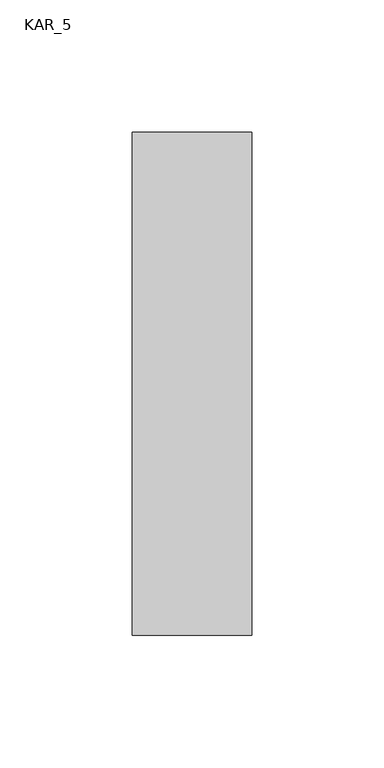
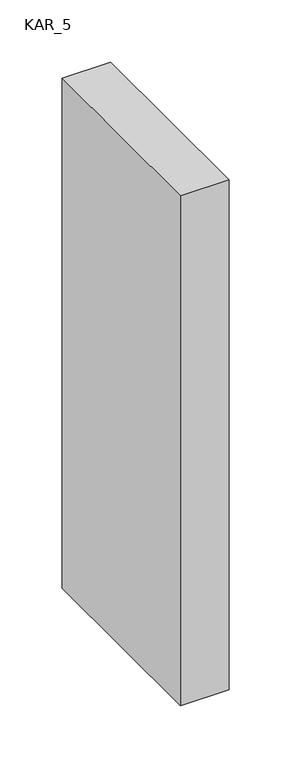
"""IFC4 building model written with IfcOpenShell, lengths in millimetres: proxy geometry, KAR_5."""

from ifc_helpers import new_model, si_unit, frame, origin, place, context, project, spatial, polyline, outline, extrude, source, transform, mapped, element, save


def kar_5_22c2129f(model_context):
    return source(origin(), model_context, "Body", "SweptSolid", [
        extrude(outline(polyline([(45.0, 190.0), (45.0, 0.0), (0.0, 0.0), (0.0, 190.0), (45.0, 190.0)])), frame((0.0, 0.0, 2000.0), z_axis=(0.0, 0.0, 1.0), x_axis=(1.0, 0.0, 0.0)), (0.0, 0.0, 1.0), 500.0),
    ])


if __name__ == "__main__":
    model = new_model("IFC4")
    model_context = context("Model", 3, world=origin())
    ifc_project = project(units=[si_unit("LENGTHUNIT", "METRE", prefix="MILLI")], contexts=[model_context])
    site = spatial("IfcSite", under=ifc_project)
    building = spatial("IfcBuilding", under=site)
    placement = place(None, origin())
    kar_5_shape = kar_5_22c2129f(model_context)
    element("IfcBuildingElementProxy", 1, Name="KAR_5", ObjectType="KAR_5", at=placement, inside=building, context=model_context, shape_type="MappedRepresentation", body=[
        mapped(kar_5_shape, transform((0.0, 0.0, 0.0), x_axis=(1.0, 0.0, 0.0), y_axis=(0.0, 1.0, 0.0), z_axis=(0.0, 0.0, 1.0))),
    ])
    save(model, "model.ifc")
